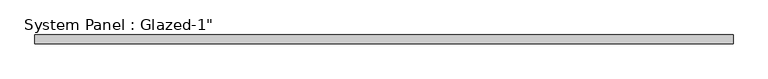
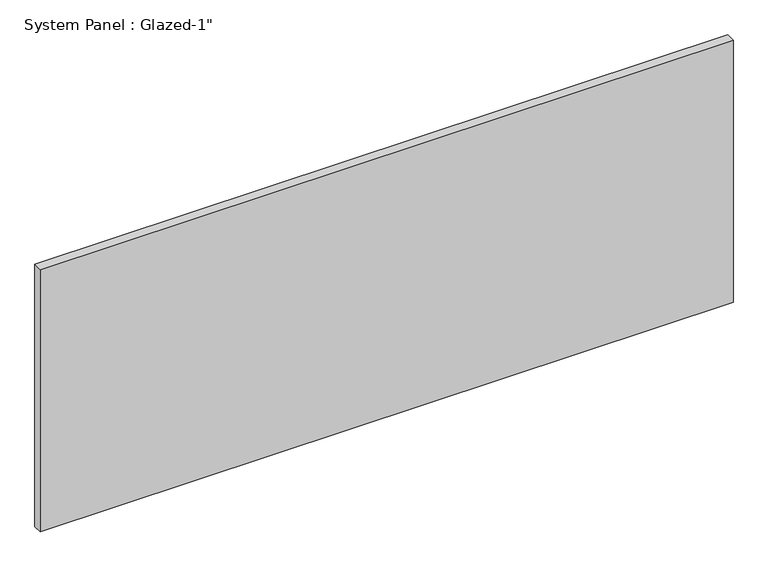
"""IFC4 building model written with IfcOpenShell, lengths in millimetres: plate geometry."""

from ifc_helpers import new_model, si_unit, origin, origin_with_axes, place, context, project, spatial, polyline, outline, extrude, source, transform, mapped, element, save


def plate_0b58dc19(model_context):
    return source(origin(), model_context, "Body", "SweptSolid", [
        extrude(outline(polyline([(984.2508325, 25.4), (-984.2508325, 25.4), (-984.2508325, 50.8), (984.2508325, 50.8), (984.2508325, 25.4)])), origin_with_axes(), (0.0, 0.0, 1.0), 787.4),
    ])


if __name__ == "__main__":
    model = new_model("IFC4")
    model_context = context("Model", 3, world=origin())
    ifc_project = project(units=[si_unit("LENGTHUNIT", "METRE", prefix="MILLI")], contexts=[model_context])
    site = spatial("IfcSite", under=ifc_project)
    building = spatial("IfcBuilding", under=site)
    placement = place(None, origin())
    plate_shape = plate_0b58dc19(model_context)
    element("IfcPlate", 1, ObjectType="System Panel : Glazed-1\"", at=placement, inside=building, context=model_context, shape_type="MappedRepresentation", body=[
        mapped(plate_shape, transform((0.0, 0.0, 0.0), x_axis=(1.0, 0.0, 0.0), y_axis=(0.0, 1.0, 0.0), z_axis=(0.0, 0.0, 1.0))),
    ])
    save(model, "model.ifc")
